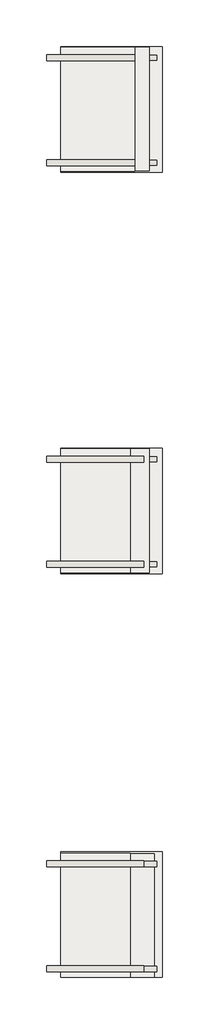
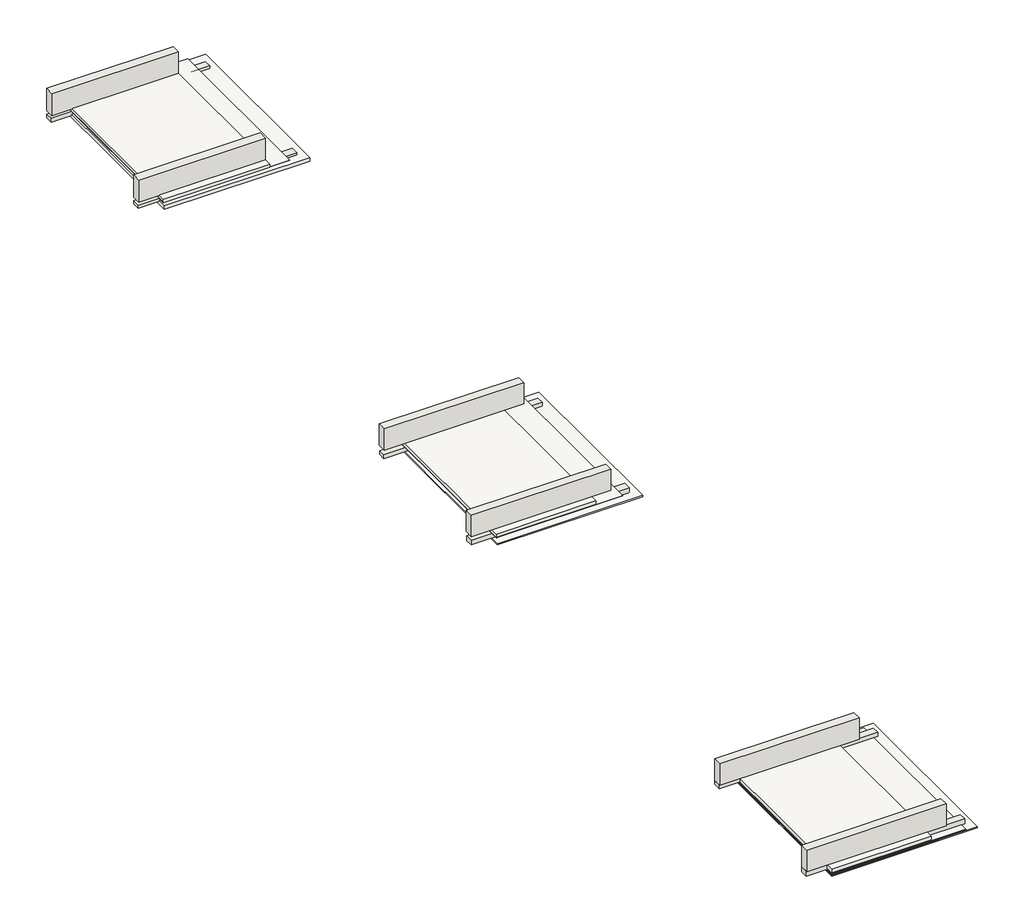
# One storey: 12 walls, 9 coverings.
"""IFC4 building model written with IfcOpenShell, lengths in millimetres."""

from ifc_helpers import new_model, si_unit, frame, origin, place, context, project, spatial, polyline, outline, extrude, element, save

model = new_model("IFC4")

# Units and contexts
model_context = context("Model", 3, world=origin())
ifc_project = project(units=[si_unit("LENGTHUNIT", "METRE", prefix="MILLI")], contexts=[model_context])

# Site, building, storey
site = spatial("IfcSite", under=ifc_project)
building = spatial("IfcBuilding", under=site)
storey = spatial("IfcBuildingStorey", under=building, Elevation=-300.0)

# Coverings
placement = place(None, origin())
element("IfcCovering", 1, at=placement, inside=storey, context=model_context, shape_type="SweptSolid", body=[
    extrude(outline(polyline([(-22406.7749546, -1143.9869271), (-22406.7749546, 1656.0130729), (-20406.7749546, 1656.0130729), (-20406.7749546, -1143.9869271), (-22406.7749546, -1143.9869271)])), frame((0.0, 0.0, 400.0), z_axis=(0.0, 0.0, 1.0), x_axis=(1.0, 0.0, 0.0)), (0.0, 0.0, 1.0), 2.0),
])
element("IfcCovering", 2, at=placement, inside=storey, context=model_context, shape_type="SweptSolid", body=[
    extrude(outline(polyline([(-20731.6219224, -1149.3507364), (-22406.7749546, -1149.3507364), (-22406.7749546, 1655.3777666), (-20731.6219224, 1655.3777666), (-20731.6219224, -1149.3507364)])), frame((0.0, 0.0, 400.0), z_axis=(0.0, 0.0, 1.0), x_axis=(1.0, 0.0, 0.0)), (0.0, 0.0, 1.0), 57.0),
])
element("IfcCovering", 3, at=placement, inside=storey, context=model_context, shape_type="SweptSolid", body=[
    extrude(outline(polyline([(-20106.7749546, -1172.2880788), (-22406.7749546, -1172.2880788), (-22406.7749546, 1671.8234119), (-20106.7749546, 1671.8234119), (-20106.7749546, -1172.2880788)])), frame((0.0, 0.0, 300.0), z_axis=(0.0, 0.0, 1.0), x_axis=(1.0, 0.0, 0.0)), (0.0, 0.0, 1.0), 57.0),
])
element("IfcCovering", 4, at=placement, inside=storey, context=model_context, shape_type="SweptSolid", body=[
    extrude(outline(polyline([(-22406.7749546, -10250.2849814), (-22406.7749546, -7450.2849814), (-20406.7749546, -7450.2849814), (-20406.7749546, -10250.2849814), (-22406.7749546, -10250.2849814)])), frame((0.0, 0.0, 320.0), z_axis=(0.0, 0.0, 1.0), x_axis=(1.0, 0.0, 0.0)), (0.0, 0.0, 1.0), 2.0),
])
element("IfcCovering", 5, at=placement, inside=storey, context=model_context, shape_type="SweptSolid", body=[
    extrude(outline(polyline([(-20831.6219224, -10251.1862015), (-22406.7749546, -10251.1862015), (-22406.7749546, -7446.4576985), (-20831.6219224, -7446.4576985), (-20831.6219224, -10251.1862015)])), frame((0.0, 0.0, 328.4168615), z_axis=(0.0, 0.0, 1.0), x_axis=(1.0, 0.0, 0.0)), (0.0, 0.0, 1.0), 57.0),
])
element("IfcCovering", 6, at=placement, inside=storey, context=model_context, shape_type="SweptSolid", body=[
    extrude(outline(polyline([(-20106.7749546, -10274.41085), (-22406.7749546, -10274.41085), (-22406.7749546, -7430.2993592), (-20106.7749546, -7430.2993592), (-20106.7749546, -10274.41085)])), frame((0.0, 0.0, 220.0), z_axis=(0.0, 0.0, 1.0), x_axis=(1.0, 0.0, 0.0)), (0.0, 0.0, 1.0), 19.0),
])
element("IfcCovering", 7, at=placement, inside=storey, context=model_context, shape_type="SweptSolid", body=[
    extrude(outline(polyline([(-22406.7749546, -19425.1099998), (-22406.7749546, -16625.1099998), (-20286.7749546, -16625.1099998), (-20286.7749546, -19425.1099998), (-22406.7749546, -19425.1099998)])), frame((0.0, 0.0, 271.2520873), z_axis=(0.0, 0.0, 1.0), x_axis=(1.0, 0.0, 0.0)), (0.0, 0.0, 1.0), 2.0),
])
element("IfcCovering", 8, at=placement, inside=storey, context=model_context, shape_type="SweptSolid", body=[
    extrude(outline(polyline([(-20831.6219224, -19421.4317345), (-22406.7749546, -19421.4317345), (-22406.7749546, -16616.7032315), (-20831.6219224, -16616.7032315), (-20831.6219224, -19421.4317345)])), frame((0.0, 0.0, 290.7234945), z_axis=(0.0, 0.0, 1.0), x_axis=(1.0, 0.0, 0.0)), (0.0, 0.0, 1.0), 57.0),
])
element("IfcCovering", 9, at=placement, inside=storey, context=model_context, shape_type="SweptSolid", body=[
    extrude(outline(polyline([(-20106.7749546, -19429.50003), (-22406.7749546, -19429.50003), (-22406.7749546, -16585.3885393), (-20106.7749546, -16585.3885393), (-20106.7749546, -19429.50003)])), frame((0.0, 0.0, 239.2600295), z_axis=(0.0, 0.0, 1.0), x_axis=(1.0, 0.0, 0.0)), (0.0, 0.0, 1.0), 19.0),
])

# Walls
element("IfcWall", 10, at=placement, inside=storey, context=model_context, shape_type="SweptSolid", body=[
    extrude(outline(polyline([(-22731.6219224, -893.6952785), (-20731.6219224, -893.6952785), (-20731.6219224, -1033.6952785), (-22731.6219224, -1033.6952785), (-22731.6219224, -893.6952785)])), frame((0.0, 0.0, 450.0), z_axis=(0.0, 0.0, 1.0), x_axis=(1.0, 0.0, 0.0)), (0.0, 0.0, 1.0), 370.0),
])
element("IfcWall", 11, at=placement, inside=storey, context=model_context, shape_type="SweptSolid", body=[
    extrude(outline(polyline([(-22731.6219224, 1486.3047215), (-20731.6219224, 1486.3047215), (-20731.6219224, 1346.3047215), (-22731.6219224, 1346.3047215), (-22731.6219224, 1486.3047215)])), frame((0.0, 0.0, 450.0), z_axis=(0.0, 0.0, 1.0), x_axis=(1.0, 0.0, 0.0)), (0.0, 0.0, 1.0), 370.0),
])
element("IfcWall", 12, at=placement, inside=storey, context=model_context, shape_type="SweptSolid", body=[
    extrude(outline(polyline([(-22731.6219224, -903.6952785), (-20231.6219224, -903.6952785), (-20231.6219224, -1023.6952785), (-22731.6219224, -1023.6952785), (-22731.6219224, -903.6952785)])), frame((0.0, 0.0, 342.8835585), z_axis=(0.0, 0.0, 1.0), x_axis=(1.0, 0.0, 0.0)), (0.0, 0.0, 1.0), 52.1164415),
])
element("IfcWall", 13, at=placement, inside=storey, context=model_context, shape_type="SweptSolid", body=[
    extrude(outline(polyline([(-22731.6219224, 1476.3047215), (-20231.6219224, 1476.3047215), (-20231.6219224, 1356.3047215), (-22731.6219224, 1356.3047215), (-22731.6219224, 1476.3047215)])), frame((0.0, 0.0, 335.4288231), z_axis=(0.0, 0.0, 1.0), x_axis=(1.0, 0.0, 0.0)), (0.0, 0.0, 1.0), 64.5711769),
])
element("IfcWall", 14, at=placement, inside=storey, context=model_context, shape_type="SweptSolid", body=[
    extrude(outline(polyline([(-22731.6219224, -9995.5307436), (-20531.6219224, -9995.5307436), (-20531.6219224, -10135.5307436), (-22731.6219224, -10135.5307436), (-22731.6219224, -9995.5307436)])), frame((0.0, 0.0, 386.4168615), z_axis=(0.0, 0.0, 1.0), x_axis=(1.0, 0.0, 0.0)), (0.0, 0.0, 1.0), 353.5831385),
])
element("IfcWall", 15, at=placement, inside=storey, context=model_context, shape_type="SweptSolid", body=[
    extrude(outline(polyline([(-22731.6219224, -7615.5307436), (-20531.6219224, -7615.5307436), (-20531.6219224, -7755.5307436), (-22731.6219224, -7755.5307436), (-22731.6219224, -7615.5307436)])), frame((0.0, 0.0, 386.4168615), z_axis=(0.0, 0.0, 1.0), x_axis=(1.0, 0.0, 0.0)), (0.0, 0.0, 1.0), 353.5831385),
])
element("IfcWall", 16, at=placement, inside=storey, context=model_context, shape_type="SweptSolid", body=[
    extrude(outline(polyline([(-22731.6219224, -10003.6952785), (-20231.6219224, -10003.6952785), (-20231.6219224, -10123.6952785), (-22731.6219224, -10123.6952785), (-22731.6219224, -10003.6952785)])), frame((0.0, 0.0, 239.0), z_axis=(0.0, 0.0, 1.0), x_axis=(1.0, 0.0, 0.0)), (0.0, 0.0, 1.0), 81.0),
])
element("IfcWall", 17, at=placement, inside=storey, context=model_context, shape_type="SweptSolid", body=[
    extrude(outline(polyline([(-22731.6219224, -7623.6952785), (-20231.6219224, -7623.6952785), (-20231.6219224, -7743.6952785), (-22731.6219224, -7743.6952785), (-22731.6219224, -7623.6952785)])), frame((0.0, 0.0, 239.0), z_axis=(0.0, 0.0, 1.0), x_axis=(1.0, 0.0, 0.0)), (0.0, 0.0, 1.0), 61.0),
])
element("IfcWall", 18, at=placement, inside=storey, context=model_context, shape_type="SweptSolid", body=[
    extrude(outline(polyline([(-22731.6219224, -19165.7762766), (-20531.6219224, -19165.7762766), (-20531.6219224, -19305.7762766), (-22731.6219224, -19305.7762766), (-22731.6219224, -19165.7762766)])), frame((0.0, 0.0, 352.6134631), z_axis=(0.0, 0.0, 1.0), x_axis=(1.0, 0.0, 0.0)), (0.0, 0.0, 1.0), 360.1576716),
])
element("IfcWall", 19, at=placement, inside=storey, context=model_context, shape_type="SweptSolid", body=[
    extrude(outline(polyline([(-22731.6219224, -16785.7762766), (-20531.6219224, -16785.7762766), (-20531.6219224, -16925.7762766), (-22731.6219224, -16925.7762766), (-22731.6219224, -16785.7762766)])), frame((0.0, 0.0, 352.6134631), z_axis=(0.0, 0.0, 1.0), x_axis=(1.0, 0.0, 0.0)), (0.0, 0.0, 1.0), 358.1100315),
])
element("IfcWall", 20, at=placement, inside=storey, context=model_context, shape_type="SweptSolid", body=[
    extrude(outline(polyline([(-22731.6219224, -19175.7762766), (-20231.6219224, -19175.7762766), (-20231.6219224, -19295.7762766), (-22731.6219224, -19295.7762766), (-22731.6219224, -19175.7762766)])), frame((0.0, 0.0, 270.3448999), z_axis=(0.0, 0.0, 1.0), x_axis=(1.0, 0.0, 0.0)), (0.0, 0.0, 1.0), 82.2685632),
])
element("IfcWall", 21, at=placement, inside=storey, context=model_context, shape_type="SweptSolid", body=[
    extrude(outline(polyline([(-22731.6219224, -16795.7762766), (-20231.6219224, -16795.7762766), (-20231.6219224, -16915.7762766), (-22731.6219224, -16915.7762766), (-22731.6219224, -16795.7762766)])), frame((0.0, 0.0, 288.1114563), z_axis=(0.0, 0.0, 1.0), x_axis=(1.0, 0.0, 0.0)), (0.0, 0.0, 1.0), 64.5020068),
])

save(model, "model.ifc")
